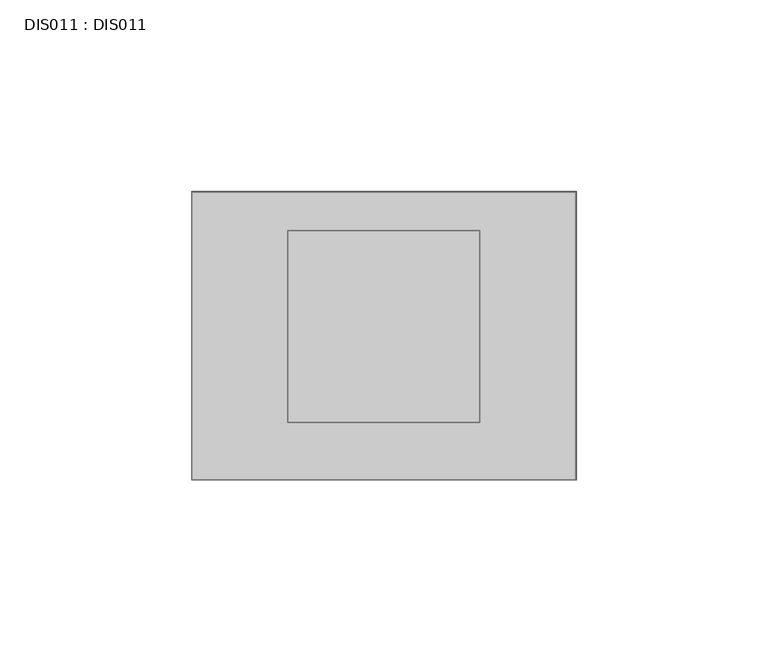
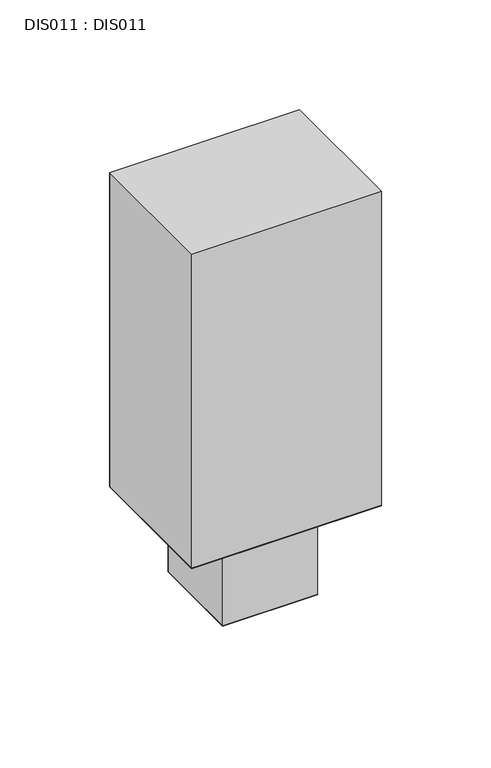
"""IFC4 building model written with IfcOpenShell, lengths in millimetres: proxy geometry, DIS011 : DIS011."""

from ifc_helpers import new_model, si_unit, origin, place, context, project, spatial, triangles, source, transform, mapped, element, save


def dis011_dis011_7b48b162(model_context):
    return source(origin(), model_context, "Body", "Tessellation", [
        triangles([(25.0000002, -10.0000005, 0.0), (75.0000006, -10.0000005, 0.0), (75.0000006, -59.9999986, 0.0), (25.0000002, -59.9999986, 0.0), (0.0, 0.0, 50.0000004), (100.0000008, 0.0, 50.0000004), (100.0000008, -75.0000006, 50.0000004), (0.0, -75.0000006, 50.0000004), (0.0, 0.0, 225.0000017), (100.0000008, 0.0, 225.0000017), (100.0000008, -75.0000006, 225.0000017), (0.0, -75.0000006, 225.0000017), (25.0000002, -59.9999986, 50.0000004), (75.0000006, -59.9999986, 50.0000004), (75.0000006, -10.0000005, 50.0000004), (25.0000002, -10.0000005, 50.0000004)], [[1, 2, 3], [1, 3, 4], [5, 6, 7], [5, 7, 8], [9, 10, 11], [9, 11, 12], [13, 4, 3], [13, 3, 14], [14, 3, 2], [14, 2, 15], [2, 15, 16], [2, 16, 1], [1, 16, 13], [1, 13, 4], [12, 8, 7], [12, 7, 11], [11, 7, 6], [11, 6, 10], [6, 10, 9], [6, 9, 5], [8, 5, 9], [8, 9, 12]], closed=False),
    ])


if __name__ == "__main__":
    model = new_model("IFC4")
    model_context = context("Model", 3, world=origin())
    ifc_project = project(units=[si_unit("LENGTHUNIT", "METRE", prefix="MILLI")], contexts=[model_context])
    site = spatial("IfcSite", under=ifc_project)
    building = spatial("IfcBuilding", under=site)
    placement = place(None, origin())
    dis011_dis011_shape = dis011_dis011_7b48b162(model_context)
    element("IfcBuildingElementProxy", 1, Name="DIS011 : DIS011", ObjectType="DIS011 : DIS011", at=placement, inside=building, context=model_context, shape_type="MappedRepresentation", body=[
        mapped(dis011_dis011_shape, transform((0.0, 0.0, 0.0), x_axis=(1.0, 0.0, 0.0), y_axis=(0.0, 1.0, 0.0), z_axis=(0.0, 0.0, 1.0))),
    ])
    save(model, "model.ifc")
